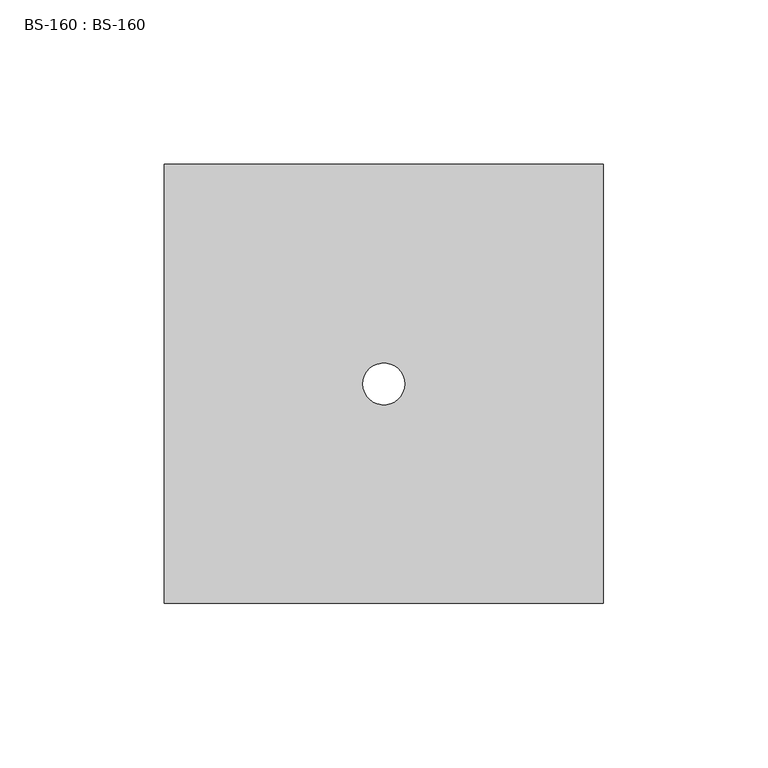
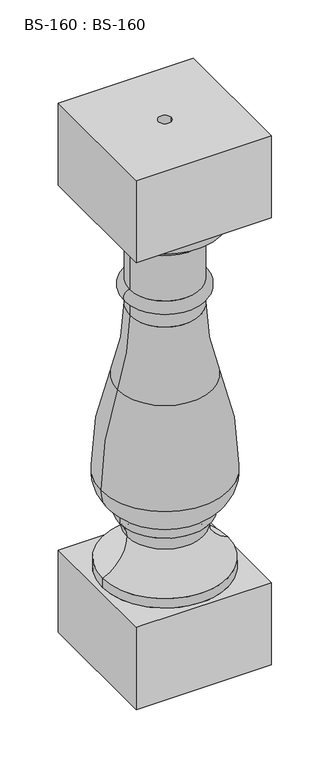
"""IFC4 building model written with IfcOpenShell, lengths in millimetres: proxy geometry, BS-160 : BS-160."""

from ifc_helpers import new_model, si_unit, point, frame, origin, origin_with_axes, place, context, project, spatial, polyline, circle_curve, ellipse_curve, trimmed, source, transform, mapped, element, save
from ifc_brep_helpers import plane_surface, cylinder_surface, revolved_surface, advanced_brep


def bs_160_bs_160_6ab4fcaf(model_context):
    return source(origin(), model_context, "Body", "AdvancedBrep", [
        advanced_brep(
        [(66.675, -66.6432594, 552.45), (66.675, 66.7067406, 552.45), (-66.675, 66.7067406, 552.45), (-66.675, -66.6432594, 552.45), (6.35, 0.0, 552.45), (-6.35, 0.0, 552.45), (66.675, -66.6432594, 466.725), (-66.675, -66.6432594, 466.725), (-66.675, 66.7067406, 466.725), (66.675, 66.7067406, 466.725), (61.9776439, 0.0, 466.725), (-61.9012553, 0.0, 466.725), (-34.9137553, 0.0, 434.975), (34.9901439, 0.0, 434.975), (34.9901439, 0.0, 387.35), (-34.9137553, 0.0, 387.35), (-39.6762553, 0.0, 438.15), (39.7526439, 0.0, 438.15), (-39.6762553, 0.0, 444.5), (39.7526439, 0.0, 444.5), (-61.9012553, 0.0, 95.25), (61.9776439, 0.0, 95.25), (61.9776439, 0.0, 85.725), (-61.9012553, 0.0, 85.725), (-37.9292035, 0.0, 130.3345518), (38.0055921, 0.0, 130.3345518), (-44.4387553, 0.0, 146.05), (44.5151439, 0.0, 146.05), (-44.4387553, 0.0, 155.575), (44.5151439, 0.0, 155.575), (-63.4887553, 0.0, 187.325), (63.5651439, 0.0, 187.325), (-47.0817198, 0.0, 286.549013), (47.1581084, 0.0, 286.549013), (-34.9137553, 0.0, 360.1366071), (34.9901439, 0.0, 360.1366071), (-34.9137553, 0.0, 374.65), (34.9901439, 0.0, 374.65), (66.675, -66.6432594, 85.725), (66.675, 66.7067406, 85.725), (-66.675, 66.7067406, 85.725), (-66.675, -66.6432594, 85.725), (66.675, -66.6432594, 0.0), (-66.675, -66.6432594, 0.0), (-66.675, 66.7067406, 0.0), (66.675, 66.7067406, 0.0), (-6.35, 0.0, 0.0), (6.35, 0.0, 0.0)],
        [
            (0, 1),
            (1, 2),
            (2, 3),
            (3, 0),
            (4, 5, circle_curve(frame((0.0, 0.0, 552.45), z_axis=(0.0, 0.0, -1.0), x_axis=(1.0, 0.0, 0.0)), 6.35)),
            (5, 4, circle_curve(frame((0.0, 0.0, 552.45), z_axis=(0.0, 0.0, -1.0), x_axis=(1.0, 0.0, 0.0)), 6.35)),
            (6, 7),
            (7, 8),
            (8, 9),
            (9, 6),
            (10, 11, circle_curve(frame((0.0381943, 0.0, 466.725), z_axis=(0.0, 0.0, 1.0), x_axis=(1.0, 0.0, 0.0)), 61.9394496)),
            (11, 10, circle_curve(frame((0.0381943, 0.0, 466.725), z_axis=(0.0, 0.0, 1.0), x_axis=(1.0, 0.0, 0.0)), 61.9394496)),
            (0, 6),
            (9, 1),
            (8, 2),
            (7, 3),
            (12, 13, circle_curve(frame((0.0381943, 0.0, 434.975), z_axis=(0.0, 0.0, -1.0), x_axis=(1.0, 0.0, 0.0)), 34.9519496)),
            (13, 14),
            (14, 15, circle_curve(frame((0.0381943, 0.0, 387.35), z_axis=(0.0, 0.0, 1.0), x_axis=(1.0, 0.0, 0.0)), 34.9519496)),
            (15, 12),
            (13, 12, circle_curve(frame((0.0381943, 0.0, 434.975), z_axis=(0.0, 0.0, -1.0), x_axis=(1.0, 0.0, 0.0)), 34.9519496)),
            (15, 14, circle_curve(frame((0.0381943, 0.0, 387.35), z_axis=(0.0, 0.0, 1.0), x_axis=(1.0, 0.0, 0.0)), 34.9519496)),
            (12, 16),
            (16, 17, circle_curve(frame((0.0381943, 0.0, 438.15), z_axis=(0.0, 0.0, -1.0), x_axis=(1.0, 0.0, 0.0)), 39.7144496)),
            (17, 13),
            (17, 16, circle_curve(frame((0.0381943, 0.0, 438.15), z_axis=(0.0, 0.0, -1.0), x_axis=(1.0, 0.0, 0.0)), 39.7144496)),
            (16, 18),
            (18, 19, circle_curve(frame((0.0381943, 0.0, 444.5), z_axis=(0.0, 0.0, -1.0), x_axis=(1.0, 0.0, 0.0)), 39.7144496)),
            (19, 17),
            (19, 18, circle_curve(frame((0.0381943, 0.0, 444.5), z_axis=(0.0, 0.0, -1.0), x_axis=(1.0, 0.0, 0.0)), 39.7144496)),
            (18, 11, circle_curve(frame((-39.6762553, 0.0, 466.725), z_axis=(0.0, 1.0, 0.0), x_axis=(-1.0, 0.0, 0.0)), 22.225)),
            (10, 19, circle_curve(frame((39.7526439, 0.0, 466.725), z_axis=(0.0, 1.0, 0.0), x_axis=(1.0, 0.0, 0.0)), 22.225)),
            (20, 21, circle_curve(frame((0.0381943, 0.0, 95.25), z_axis=(0.0, 0.0, -1.0), x_axis=(1.0, 0.0, 0.0)), 61.9394496)),
            (21, 22),
            (22, 23, circle_curve(frame((0.0381943, 0.0, 85.725), z_axis=(0.0, 0.0, 1.0), x_axis=(1.0, 0.0, 0.0)), 61.9394496)),
            (23, 20),
            (21, 20, circle_curve(frame((0.0381943, 0.0, 95.25), z_axis=(0.0, 0.0, -1.0), x_axis=(1.0, 0.0, 0.0)), 61.9394496)),
            (23, 22, circle_curve(frame((0.0381943, 0.0, 85.725), z_axis=(0.0, 0.0, 1.0), x_axis=(1.0, 0.0, 0.0)), 61.9394496)),
            (20, 24, circle_curve(frame((-75.5894142, 0.0, 130.3345518), z_axis=(0.0, -1.0, 0.0), x_axis=(-1.0, 0.0, 0.0)), 37.6602107)),
            (24, 25, circle_curve(frame((0.0381943, 0.0, 130.3345518), z_axis=(0.0, 0.0, -1.0), x_axis=(1.0, 0.0, 0.0)), 37.9673978)),
            (25, 21, circle_curve(frame((75.6658028, 0.0, 130.3345518), z_axis=(0.0, -1.0, 0.0), x_axis=(1.0, 0.0, 0.0)), 37.6602107)),
            (25, 24, circle_curve(frame((0.0381943, 0.0, 130.3345518), z_axis=(0.0, 0.0, -1.0), x_axis=(1.0, 0.0, 0.0)), 37.9673978)),
            (24, 26, circle_curve(frame((-60.1542035, 0.0, 130.3345518), z_axis=(0.0, -1.0, 0.0), x_axis=(-1.0, 0.0, 0.0)), 22.225)),
            (26, 27, circle_curve(frame((0.0381943, 0.0, 146.05), z_axis=(0.0, 0.0, -1.0), x_axis=(1.0, 0.0, 0.0)), 44.4769496)),
            (27, 25, circle_curve(frame((60.2305921, 0.0, 130.3345518), z_axis=(0.0, -1.0, 0.0), x_axis=(1.0, 0.0, 0.0)), 22.225)),
            (27, 26, circle_curve(frame((0.0381943, 0.0, 146.05), z_axis=(0.0, 0.0, -1.0), x_axis=(1.0, 0.0, 0.0)), 44.4769496)),
            (26, 28),
            (28, 29, circle_curve(frame((0.0381943, 0.0, 155.575), z_axis=(0.0, 0.0, -1.0), x_axis=(1.0, 0.0, 0.0)), 44.4769496)),
            (29, 27),
            (29, 28, circle_curve(frame((0.0381943, 0.0, 155.575), z_axis=(0.0, 0.0, -1.0), x_axis=(1.0, 0.0, 0.0)), 44.4769496)),
            (28, 30, circle_curve(frame((-27.505422, 0.0, 187.325), z_axis=(0.0, 1.0, 0.0), x_axis=(-1.0, 0.0, 0.0)), 35.9833333)),
            (30, 31, circle_curve(frame((0.0381943, 0.0, 187.325), z_axis=(0.0, 0.0, -1.0), x_axis=(1.0, 0.0, 0.0)), 63.5269496)),
            (31, 29, circle_curve(frame((27.5818105, 0.0, 187.325), z_axis=(0.0, 1.0, 0.0), x_axis=(1.0, 0.0, 0.0)), 35.9833333)),
            (31, 30, circle_curve(frame((0.0381943, 0.0, 187.325), z_axis=(0.0, 0.0, -1.0), x_axis=(1.0, 0.0, 0.0)), 63.5269496)),
            (30, 32, circle_curve(frame((244.750828, 0.0, 187.325), z_axis=(0.0, 1.0, 0.0), x_axis=(-1.0, 0.0, 0.0)), 308.2395833)),
            (32, 33, circle_curve(frame((0.0381943, 0.0, 286.549013), z_axis=(0.0, 0.0, -1.0), x_axis=(1.0, 0.0, 0.0)), 47.1199141)),
            (33, 31, circle_curve(frame((-244.6744395, 0.0, 187.325), z_axis=(0.0, 1.0, 0.0), x_axis=(1.0, 0.0, 0.0)), 308.2395833)),
            (33, 32, circle_curve(frame((0.0381943, 0.0, 286.549013), z_axis=(0.0, 0.0, -1.0), x_axis=(1.0, 0.0, 0.0)), 47.1199141)),
            (32, 34, circle_curve(frame((-263.5137553, 0.0, 360.1366071), z_axis=(0.0, -1.0, 0.0), x_axis=(-1.0, 0.0, 0.0)), 228.6)),
            (34, 35, circle_curve(frame((0.0381943, 0.0, 360.1366071), z_axis=(0.0, 0.0, -1.0), x_axis=(1.0, 0.0, 0.0)), 34.9519496)),
            (35, 33, circle_curve(frame((263.5901439, 0.0, 360.1366071), z_axis=(0.0, -1.0, 0.0), x_axis=(1.0, 0.0, 0.0)), 228.6)),
            (35, 34, circle_curve(frame((0.0381943, 0.0, 360.1366071), z_axis=(0.0, 0.0, -1.0), x_axis=(1.0, 0.0, 0.0)), 34.9519496)),
            (34, 36),
            (36, 37, circle_curve(frame((0.0381943, 0.0, 374.65), z_axis=(0.0, 0.0, -1.0), x_axis=(1.0, 0.0, 0.0)), 34.9519496)),
            (37, 35),
            (37, 36, circle_curve(frame((0.0381943, 0.0, 374.65), z_axis=(0.0, 0.0, -1.0), x_axis=(1.0, 0.0, 0.0)), 34.9519496)),
            (14, 37, circle_curve(frame((34.9901439, 0.0, 381.0), z_axis=(0.0, 1.0, 0.0), x_axis=(1.0, 0.0, 0.0)), 6.35)),
            (36, 15, circle_curve(frame((-34.9137553, 0.0, 381.0), z_axis=(0.0, 1.0, 0.0), x_axis=(-1.0, 0.0, 0.0)), 6.35)),
            (38, 39),
            (39, 40),
            (40, 41),
            (41, 38),
            (42, 43),
            (43, 44),
            (44, 45),
            (45, 42),
            (46, 47, circle_curve(origin_with_axes(), 6.35)),
            (47, 46, circle_curve(origin_with_axes(), 6.35)),
            (38, 42),
            (45, 39),
            (44, 40),
            (43, 41),
            (4, 47),
            (46, 5),
        ],
        [
            plane_surface(frame((66.675, -107.95, 552.45), z_axis=(0.0, 0.0, 1.0), x_axis=(0.0, 1.0, 0.0))),
            plane_surface(frame((66.675, -107.95, 466.725), z_axis=(0.0, 0.0, -1.0), x_axis=(0.0, -1.0, 0.0))),
            plane_surface(frame((66.675, -66.6432594, 552.45), z_axis=(1.0, 0.0, 0.0), x_axis=(0.0, 0.0, -1.0))),
            plane_surface(frame((66.675, 66.7067406, 552.45), z_axis=(0.0, 1.0, 0.0), x_axis=(0.0, 0.0, -1.0))),
            plane_surface(frame((-66.675, 66.7067406, 552.45), z_axis=(-1.0, 0.0, 0.0), x_axis=(0.0, 0.0, -1.0))),
            plane_surface(frame((-66.675, -66.6432594, 552.45), z_axis=(0.0, -1.0, 0.0), x_axis=(0.0, 0.0, -1.0))),
            cylinder_surface(frame((0.0381943, 0.0, 552.45), z_axis=(0.0, 0.0, 1.0), x_axis=(1.0, 0.0, 0.0)), 34.9519496),
            revolved_surface(polyline([(34.9901439, 0.0, 434.975), (39.7526439, 0.0, 438.15)]), (0.0381943, 0.0, 552.45), (0.0, 0.0, 1.0)),
            cylinder_surface(frame((0.0381943, 0.0, 552.45), z_axis=(0.0, 0.0, 1.0), x_axis=(1.0, 0.0, 0.0)), 39.7144496),
            revolved_surface(trimmed(ellipse_curve(frame((39.7526439, 0.0, 466.725), z_axis=(0.0, -1.0, 0.0), x_axis=(1.0, 0.0, 0.0)), 22.225, 22.225), [point((39.7526439, 0.0, 444.5))], [point((61.9776439, 0.0, 466.725))], True, "CARTESIAN"), (0.0381943, 0.0, 552.45), (0.0, 0.0, 1.0)),
            cylinder_surface(frame((0.0381943, 0.0, 552.45), z_axis=(0.0, 0.0, 1.0), x_axis=(1.0, 0.0, 0.0)), 61.9394496),
            revolved_surface(trimmed(ellipse_curve(frame((75.6658028, 0.0, 130.3345518), z_axis=(0.0, 1.0, 0.0), x_axis=(1.0, 0.0, 0.0)), 37.6602107, 37.6602107), [point((61.9776439, 0.0, 95.25))], [point((38.0055921, 0.0, 130.3345518))], True, "CARTESIAN"), (0.0381943, 0.0, 552.45), (0.0, 0.0, 1.0)),
            revolved_surface(trimmed(ellipse_curve(frame((60.2305921, 0.0, 130.3345518), z_axis=(0.0, 1.0, 0.0), x_axis=(1.0, 0.0, 0.0)), 22.225, 22.225), [point((38.0055921, 0.0, 130.3345518))], [point((44.5151439, 0.0, 146.05))], True, "CARTESIAN"), (0.0381943, 0.0, 552.45), (0.0, 0.0, 1.0)),
            cylinder_surface(frame((0.0381943, 0.0, 552.45), z_axis=(0.0, 0.0, 1.0), x_axis=(1.0, 0.0, 0.0)), 44.4769496),
            revolved_surface(trimmed(ellipse_curve(frame((27.5818105, 0.0, 187.325), z_axis=(0.0, -1.0, 0.0), x_axis=(1.0, 0.0, 0.0)), 35.9833333, 35.9833333), [point((44.5151439, 0.0, 155.575))], [point((63.5651439, 0.0, 187.325))], True, "CARTESIAN"), (0.0381943, 0.0, 552.45), (0.0, 0.0, 1.0)),
            revolved_surface(trimmed(ellipse_curve(frame((-244.6744395, 0.0, 187.325), z_axis=(0.0, -1.0, 0.0), x_axis=(1.0, 0.0, 0.0)), 308.2395833, 308.2395833), [point((63.5651439, 0.0, 187.325))], [point((47.1581084, 0.0, 286.549013))], True, "CARTESIAN"), (0.0381943, 0.0, 552.45), (0.0, 0.0, 1.0)),
            revolved_surface(trimmed(ellipse_curve(frame((263.5901439, 0.0, 360.1366071), z_axis=(0.0, 1.0, 0.0), x_axis=(1.0, 0.0, 0.0)), 228.6, 228.6), [point((47.1581084, 0.0, 286.549013))], [point((34.9901439, 0.0, 360.1366071))], True, "CARTESIAN"), (0.0381943, 0.0, 552.45), (0.0, 0.0, 1.0)),
            revolved_surface(trimmed(ellipse_curve(frame((34.9901439, 0.0, 381.0), z_axis=(0.0, -1.0, 0.0), x_axis=(1.0, 0.0, 0.0)), 6.35, 6.35), [point((34.9901439, 0.0, 374.65))], [point((34.9901439, 0.0, 387.35))], True, "CARTESIAN"), (0.0381943, 0.0, 552.45), (0.0, 0.0, 1.0)),
            plane_surface(frame((66.675, -107.95, 85.725), z_axis=(0.0, 0.0, 1.0), x_axis=(0.0, 1.0, 0.0))),
            plane_surface(frame((66.675, -107.95, 0.0), z_axis=(0.0, 0.0, -1.0), x_axis=(0.0, -1.0, 0.0))),
            plane_surface(frame((66.675, -66.6432594, 85.725), z_axis=(1.0, 0.0, 0.0), x_axis=(0.0, 0.0, -1.0))),
            plane_surface(frame((66.675, 66.7067406, 85.725), z_axis=(0.0, 1.0, 0.0), x_axis=(0.0, 0.0, -1.0))),
            plane_surface(frame((-66.675, 66.7067406, 85.725), z_axis=(-1.0, 0.0, 0.0), x_axis=(0.0, 0.0, -1.0))),
            plane_surface(frame((-66.675, -66.6432594, 85.725), z_axis=(0.0, -1.0, 0.0), x_axis=(0.0, 0.0, -1.0))),
            revolved_surface(polyline([(6.35, 0.0, 552.45), (6.35, 0.0, 0.0)]), (0.0, 0.0, 0.0), (0.0, 0.0, 1.0)),
        ],
        [
            (0, [[1, 2, 3, 4], [5, 6]]),
            (1, [[7, 8, 9, 10], [11, 12]]),
            (2, [[-1, 13, -10, 14]]),
            (3, [[-2, -14, -9, 15]]),
            (4, [[-3, -15, -8, 16]]),
            (5, [[-4, -16, -7, -13]]),
            (6, [[17, 18, 19, 20]]),
            (6, [[-18, 21, -20, 22]]),
            (7, [[-17, 23, 24, 25]]),
            (7, [[-21, -25, 26, -23]]),
            (8, [[-24, 27, 28, 29]]),
            (8, [[-26, -29, 30, -27]]),
            (9, [[-28, 31, -11, 32]]),
            (9, [[-30, -32, -12, -31]]),
            (10, [[33, 34, 35, 36]]),
            (10, [[-34, 37, -36, 38]]),
            (11, [[-33, 39, 40, 41]]),
            (11, [[-37, -41, 42, -39]]),
            (12, [[-40, 43, 44, 45]]),
            (12, [[-42, -45, 46, -43]]),
            (13, [[-44, 47, 48, 49]]),
            (13, [[-46, -49, 50, -47]]),
            (14, [[-48, 51, 52, 53]]),
            (14, [[-50, -53, 54, -51]]),
            (15, [[-52, 55, 56, 57]]),
            (15, [[-54, -57, 58, -55]]),
            (16, [[-56, 59, 60, 61]]),
            (16, [[-58, -61, 62, -59]]),
            (6, [[-60, 63, 64, 65]]),
            (6, [[-62, -65, 66, -63]]),
            (17, [[-19, 67, -64, 68]]),
            (17, [[-22, -68, -66, -67]]),
            (18, [[69, 70, 71, 72], [-35, -38]]),
            (19, [[73, 74, 75, 76], [77, 78]]),
            (20, [[-69, 79, -76, 80]]),
            (21, [[-70, -80, -75, 81]]),
            (22, [[-71, -81, -74, 82]]),
            (23, [[-72, -82, -73, -79]]),
            (24, [[83, -77, 84, -5]]),
            (24, [[-83, -6, -84, -78]]),
        ],
    ),
    ])


if __name__ == "__main__":
    model = new_model("IFC4")
    model_context = context("Model", 3, world=origin())
    ifc_project = project(units=[si_unit("LENGTHUNIT", "METRE", prefix="MILLI")], contexts=[model_context])
    site = spatial("IfcSite", under=ifc_project)
    building = spatial("IfcBuilding", under=site)
    placement = place(None, origin())
    bs_160_bs_160_shape = bs_160_bs_160_6ab4fcaf(model_context)
    element("IfcBuildingElementProxy", 1, Name="BS-160 : BS-160", ObjectType="BS-160 : BS-160", at=placement, inside=building, context=model_context, shape_type="MappedRepresentation", body=[
        mapped(bs_160_bs_160_shape, transform((0.0, 0.0, 0.0), x_axis=(1.0, 0.0, 0.0), y_axis=(0.0, 1.0, 0.0), z_axis=(0.0, 0.0, 1.0))),
    ])
    save(model, "model.ifc")
